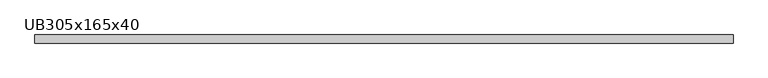
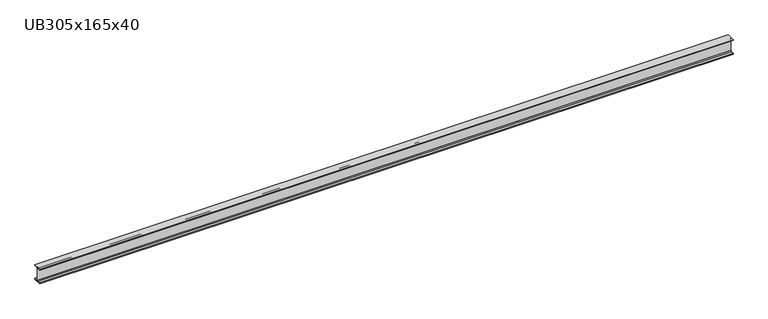
"""IFC4 building model written with IfcOpenShell, lengths in millimetres: beam geometry, UB305x165x40."""

from ifc_helpers import new_model, si_unit, point, frame, frame_2d, origin, place, context, project, spatial, polyline, circle_curve, trimmed, segment, composite_curve, outline, extrude, source, transform, mapped, element, save


def ub305x165x40_d1bf8726(model_context):
    return source(origin(), model_context, "Body", "SweptSolid", [
        extrude(outline(composite_curve([segment(polyline([(42.5, -71.5), (42.5, -81.7), (-42.5, -81.7), (-42.5, -71.5), (-11.9, -71.5)]), True, "CONTINUOUS"), segment(trimmed(circle_curve(frame_2d((-11.9, -62.6)), 8.9), [point((-11.9, -71.5))], [point((-3.0, -62.6))], True, "CARTESIAN"), True, "CONTINUOUS"), segment(polyline([(-3.0, -62.6), (-3.0, 62.6)]), True, "CONTINUOUS"), segment(trimmed(circle_curve(frame_2d((-11.9, 62.6)), 8.9), [point((-3.0, 62.6))], [point((-11.9, 71.5))], True, "CARTESIAN"), True, "CONTINUOUS"), segment(polyline([(-11.9, 71.5), (-42.5, 71.5), (-42.5, 81.7), (42.5, 81.7), (42.5, 71.5), (11.9, 71.5)]), True, "CONTINUOUS"), segment(trimmed(circle_curve(frame_2d((11.9, 62.6)), 8.9), [point((11.9, 71.5))], [point((3.0, 62.6))], True, "CARTESIAN"), True, "CONTINUOUS"), segment(polyline([(3.0, 62.6), (3.0, -62.6)]), True, "CONTINUOUS"), segment(trimmed(circle_curve(frame_2d((11.9, -62.6)), 8.9), [point((3.0, -62.6))], [point((11.9, -71.5))], True, "CARTESIAN"), True, "CONTINUOUS"), segment(polyline([(11.9, -71.5), (42.5, -71.5)]), True, "CONTINUOUS")], self_intersect=False)), frame((-3620.0, 0.0, 0.0), z_axis=(1.0, 0.0, 0.0), x_axis=(0.0, 1.0, 0.0)), (0.0, 0.0, 1.0), 7295.2),
    ])


if __name__ == "__main__":
    model = new_model("IFC4")
    model_context = context("Model", 3, world=origin())
    ifc_project = project(units=[si_unit("LENGTHUNIT", "METRE", prefix="MILLI")], contexts=[model_context])
    site = spatial("IfcSite", under=ifc_project)
    building = spatial("IfcBuilding", under=site)
    placement = place(None, origin())
    ub305x165x40_shape = ub305x165x40_d1bf8726(model_context)
    element("IfcBeam", 1, ObjectType="UB305x165x40", at=placement, inside=building, context=model_context, shape_type="MappedRepresentation", body=[
        mapped(ub305x165x40_shape, transform((0.0, 0.0, 0.0), x_axis=(1.0, 0.0, 0.0), y_axis=(0.0, 1.0, 0.0), z_axis=(0.0, 0.0, 1.0))),
    ])
    save(model, "model.ifc")
